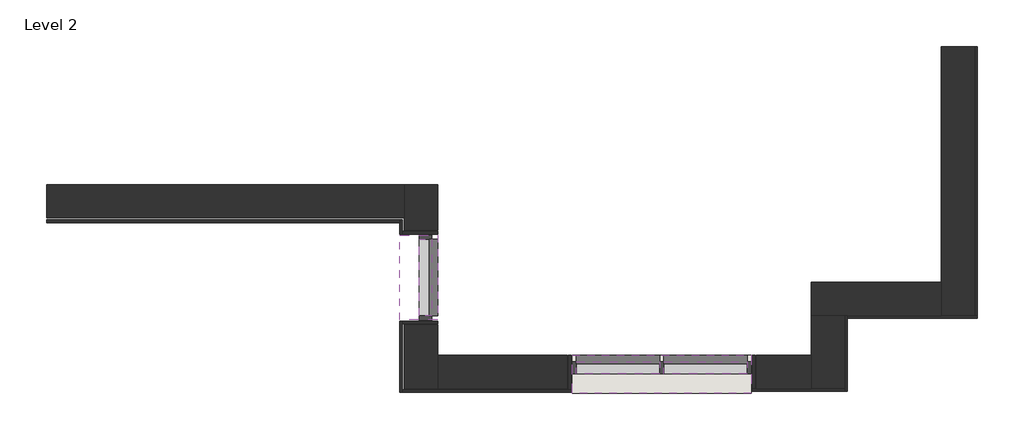
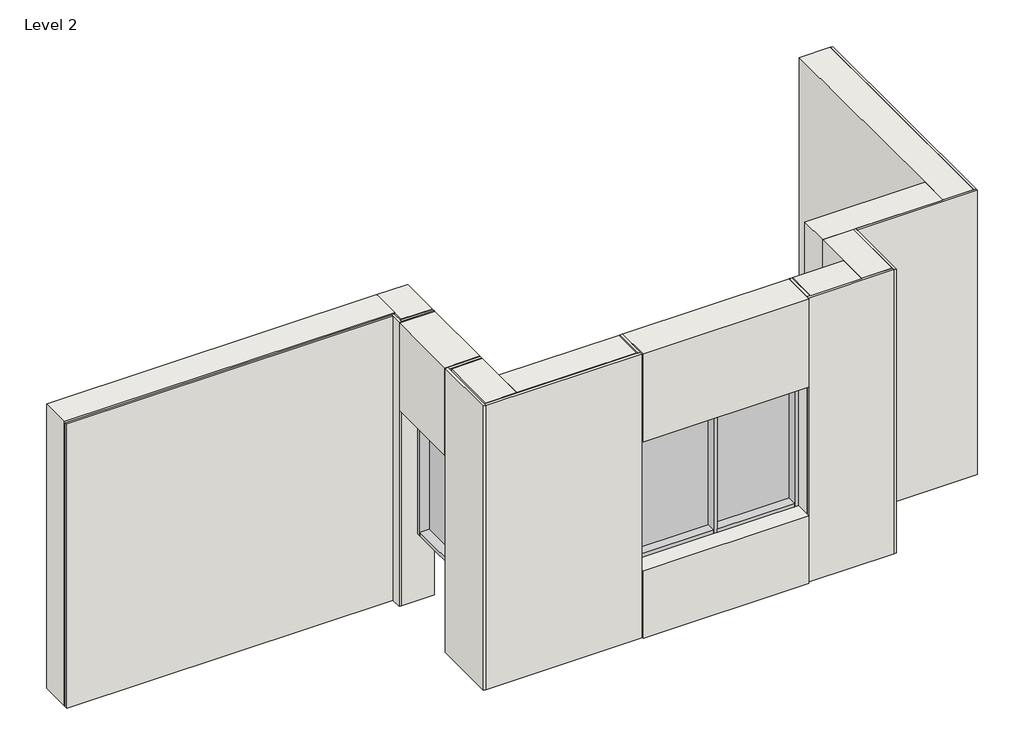
# One storey: 23 walls, 11 members, 3 plates.
"""IFC4 building model written with IfcOpenShell, lengths in millimetres."""

import ifcopenshell
import ifcopenshell.guid

model = None  # the IFC model being written
_history = None  # IfcOwnerHistory: only IFC2X3 demands one
_inside = {}  # id of a spatial element -> (the spatial element, [elements in it])
_under = {}  # id of a project, library or spatial element -> (it, [spatial elements below it])
_declared = {}  # id of a project -> (the project, [libraries it declares])
_typed = {}  # id of a type object -> (the type object, [elements of that type])
_made_of = {}  # id of a material, layer set ... -> (it, [elements and type objects made of it])


def new_model(schema):
    """Start an empty IFC model of exactly this schema.

    Asked for "IFC4X3", IfcOpenShell would pick the latest addendum, in which some entities
    have other attributes; the version numbers below select the first issue.
    IFC2X3 requires an IfcOwnerHistory on every rooted entity: one is made here for all.
    """
    global model, _history
    if schema == "IFC4X3":
        model = ifcopenshell.file(schema_version=(4, 3, 0, 0))
    else:
        model = ifcopenshell.file(schema=schema)
    _inside.clear()
    _under.clear()
    _declared.clear()
    _typed.clear()
    _made_of.clear()
    _history = None
    if model.schema == "IFC2X3":
        org = make("IfcOrganization", Name="unknown")
        user = make(
            "IfcPersonAndOrganization",
            ThePerson=make("IfcPerson", FamilyName="unknown"),
            TheOrganization=org,
        )
        app = make(
            "IfcApplication",
            ApplicationDeveloper=org,
            Version="unknown",
            ApplicationFullName="unknown",
            ApplicationIdentifier="unknown",
        )
        _history = make(
            "IfcOwnerHistory",
            OwningUser=user,
            OwningApplication=app,
            ChangeAction="ADDED",
            CreationDate=0,
        )
    return model


def make(cls, **values):
    """One entity of the class cls with the attributes given. An attribute that is None is left unset."""
    return model.create_entity(
        cls, **{name: value for name, value in values.items() if value is not None}
    )


def rooted(cls, **values):
    """An entity with a GlobalId (a new one), such as an element, a storey or a relation."""
    return make(cls, GlobalId=ifcopenshell.guid.new(), OwnerHistory=_history, **values)


def si_unit(unit_type, name, prefix=None):
    """IfcSIUnit, for example si_unit("LENGTHUNIT", "METRE", prefix="MILLI")."""
    return make("IfcSIUnit", UnitType=unit_type, Prefix=prefix, Name=name)


def assignment(units):
    """IfcUnitAssignment: the units of a project."""
    return None if units is None else make("IfcUnitAssignment", Units=units)


def point(xyz):
    """IfcCartesianPoint."""
    return None if xyz is None else make("IfcCartesianPoint", Coordinates=xyz)


def direction(xyz):
    """IfcDirection."""
    return None if xyz is None else make("IfcDirection", DirectionRatios=xyz)


def frame(location, z_axis=None, x_axis=None):
    """IfcAxis2Placement3D, a coordinate frame: its origin and axes. An axis left out is left unset."""
    return make(
        "IfcAxis2Placement3D",
        Location=point(location),
        Axis=direction(z_axis),
        RefDirection=direction(x_axis),
    )


def origin():
    """The frame at (0, 0, 0) with its axes left unset."""
    return frame((0.0, 0.0, 0.0))


def origin_with_axes():
    """The frame at (0, 0, 0) with the z axis (0, 0, 1) and the x axis (1, 0, 0) written out."""
    return frame((0.0, 0.0, 0.0), z_axis=(0.0, 0.0, 1.0), x_axis=(1.0, 0.0, 0.0))


def place(relative_to, where):
    """IfcLocalPlacement: puts the frame where relative to a parent placement (None: the world)."""
    return make(
        "IfcLocalPlacement", PlacementRelTo=relative_to, RelativePlacement=where
    )


def context(
    kind, dimensions, precision=None, world=None, true_north=None, identifier=None
):
    """IfcGeometricRepresentationContext, for example the 3D "Model" context."""
    return make(
        "IfcGeometricRepresentationContext",
        ContextIdentifier=identifier,
        ContextType=kind,
        CoordinateSpaceDimension=dimensions,
        Precision=precision,
        WorldCoordinateSystem=world,
        TrueNorth=true_north,
    )


def project(units=None, contexts=None):
    """IfcProject with its units and contexts."""
    return rooted(
        "IfcProject",
        Name="project",
        RepresentationContexts=contexts,
        UnitsInContext=assignment(units),
    )


def spatial(cls, under=None, at=None, **own):
    """A site, building, storey or space (cls), placed at a placement, below another one or the project."""
    s = rooted(cls, ObjectPlacement=at, **own)
    if under is not None:
        _under.setdefault(under.id(), (under, []))[1].append(s)
    return s


def polyline(points):
    """IfcPolyline through the points."""
    return make("IfcPolyline", Points=[point(p) for p in points])


def outline(outer, holes=None, kind="AREA"):
    """IfcArbitraryClosedProfileDef: a profile drawn as a closed curve; with holes, ...WithVoids."""
    if holes is None:
        return make("IfcArbitraryClosedProfileDef", ProfileType=kind, OuterCurve=outer)
    return make(
        "IfcArbitraryProfileDefWithVoids",
        ProfileType=kind,
        OuterCurve=outer,
        InnerCurves=holes,
    )


def extrude(swept, where, along, depth):
    """IfcExtrudedAreaSolid: the profile swept, set in the frame where, extruded along a direction by depth."""
    return make(
        "IfcExtrudedAreaSolid",
        SweptArea=swept,
        Position=where,
        ExtrudedDirection=direction(along),
        Depth=depth,
    )


def faces_of(points, faces, orient=None, outer=None):
    """IfcFace entities. A face is a list of loops; a loop is a list of indices into points, from 0.

    orient and outer hold one flag for each loop. By default every Orientation is true, the
    first loop of a face is its IfcFaceOuterBound and the others are IfcFaceBound.
    """
    made = []
    for i, loops in enumerate(faces):
        bounds = []
        for j, loop in enumerate(loops):
            is_outer = j == 0 if outer is None else outer[i][j]
            bounds.append(
                make(
                    "IfcFaceOuterBound" if is_outer else "IfcFaceBound",
                    Bound=make("IfcPolyLoop", Polygon=[points[k] for k in loop]),
                    Orientation=True if orient is None else orient[i][j],
                )
            )
        made.append(make("IfcFace", Bounds=bounds))
    return made


def faceted_brep(points, faces, orient=None, outer=None, voids=None):
    """IfcFacetedBrep: a solid bounded by flat faces; with voids (closed shells), ...WithVoids."""
    shared = [point(p) for p in points]
    hull = make("IfcClosedShell", CfsFaces=faces_of(shared, faces, orient, outer))
    if voids is None:
        return make("IfcFacetedBrep", Outer=hull)
    return make(
        "IfcFacetedBrepWithVoids",
        Outer=hull,
        Voids=[
            make(cls, CfsFaces=faces_of(shared, fs, o, b)) for cls, fs, o, b in voids
        ],
    )


def shape(context_of_items, identifier, shape_type, items):
    """IfcShapeRepresentation: the items that make up one representation, for example the "Body"."""
    return make(
        "IfcShapeRepresentation",
        ContextOfItems=context_of_items,
        RepresentationIdentifier=identifier,
        RepresentationType=shape_type,
        Items=items,
    )


def source(mapping_origin, context_of_items, identifier, shape_type, items):
    """IfcRepresentationMap: a shape defined once, which mapped items show again and again."""
    return make(
        "IfcRepresentationMap",
        MappingOrigin=mapping_origin,
        MappedRepresentation=shape(context_of_items, identifier, shape_type, items),
    )


def transform(
    local_origin,
    x_axis=None,
    y_axis=None,
    z_axis=None,
    scale=None,
    scale2=None,
    scale3=None,
    uniform=True,
):
    """IfcCartesianTransformationOperator3D, or its non-uniform kind. x_axis, y_axis, z_axis: its Axis1, 2, 3."""
    if uniform:
        return make(
            "IfcCartesianTransformationOperator3D",
            Axis1=direction(x_axis),
            Axis2=direction(y_axis),
            LocalOrigin=point(local_origin),
            Scale=scale,
            Axis3=direction(z_axis),
        )
    return make(
        "IfcCartesianTransformationOperator3DnonUniform",
        Axis1=direction(x_axis),
        Axis2=direction(y_axis),
        LocalOrigin=point(local_origin),
        Scale=scale,
        Axis3=direction(z_axis),
        Scale2=scale2,
        Scale3=scale3,
    )


def mapped(mapping_source, mapping_target):
    """IfcMappedItem: shows the shape of a source again, moved by a transform."""
    return make(
        "IfcMappedItem", MappingSource=mapping_source, MappingTarget=mapping_target
    )


def made_of(thing, what):
    """Note that an element or type object is made of a material, layer set ...; save() writes the relation."""
    if what is not None:
        _made_of.setdefault(what.id(), (what, []))[1].append(thing)
    return thing


def element(
    cls,
    number,
    at=None,
    inside=None,
    cuts=None,
    type_object=None,
    material=None,
    context=None,
    identifier="Body",
    shape_type=None,
    held_by="IfcProductDefinitionShape",
    body=None,
    shapes=None,
    **own,
):
    """One element of the class cls, such as IfcWall. Its Tag is "e" and its number.

    at: its placement. inside: the storey or other place that contains it. cuts: it is an
    opening in that element (IfcRelVoidsElement). A single representation is given by context,
    identifier, shape_type and body (its items); several are given by shapes. held_by: the class
    of the entity that holds the representations. save() writes the other relations.
    """
    e = rooted(cls, Tag="e%d" % number, ObjectPlacement=at, **own)
    if body is not None:
        shapes = [shape(context, identifier, shape_type, body)]
    if shapes is not None:
        e.Representation = make(held_by, Representations=shapes)
    if inside is not None:
        _inside.setdefault(inside.id(), (inside, []))[1].append(e)
    if cuts is not None:
        rooted(
            "IfcRelVoidsElement", RelatingBuildingElement=cuts, RelatedOpeningElement=e
        )
    if type_object is not None:
        _typed.setdefault(type_object.id(), (type_object, []))[1].append(e)
    return made_of(e, material)


def aggregate(whole, parts):
    """IfcRelAggregates: a whole, such as a stair, and the parts it consists of."""
    return rooted("IfcRelAggregates", RelatingObject=whole, RelatedObjects=parts)


def save(model, path):
    """Write the relations noted so far, then the file.

    IfcRelAggregates (storeys below a building ...), IfcRelContainedInSpatialStructure (elements
    in a storey), IfcRelDefinesByType, IfcRelAssociatesMaterial and IfcRelDeclares: one each for
    every whole, place, type object, material and project.
    """
    for whole, parts in _under.values():
        aggregate(whole, parts)
    for where, things in _inside.values():
        rooted(
            "IfcRelContainedInSpatialStructure",
            RelatedElements=things,
            RelatingStructure=where,
        )
    for kind, things in _typed.values():
        rooted("IfcRelDefinesByType", RelatedObjects=things, RelatingType=kind)
    for what, things in _made_of.values():
        rooted("IfcRelAssociatesMaterial", RelatedObjects=things, RelatingMaterial=what)
    for by, libraries in _declared.values():
        rooted("IfcRelDeclares", RelatingContext=by, RelatedDefinitions=libraries)
    model.write(path)


def rectangular_mullion_rectangular_mullion_1_affd144b(model_context):
    return source(origin(), model_context, "Body", "SweptSolid", [
        extrude(outline(polyline([(0.0, 75.0), (0.0, -75.0), (-50.0, -75.0), (-50.0, 75.0), (0.0, 75.0)])), frame((0.0, 0.0, -942.8880793), z_axis=(0.0, 0.0, 1.0), x_axis=(1.0, 0.0, 0.0)), (0.0, 0.0, 1.0), 942.8880793),
    ])


def rectangular_mullion_rectangular_mullion_1_e0982682(model_context):
    return source(origin(), model_context, "Body", "SweptSolid", [
        extrude(outline(polyline([(0.0, 75.0), (0.0, -75.0), (-50.0, -75.0), (-50.0, 75.0), (0.0, 75.0)])), frame((0.0, 0.0, -1026.5), z_axis=(0.0, 0.0, 1.0), x_axis=(1.0, 0.0, 0.0)), (0.0, 0.0, 1.0), 1026.5),
    ])


def rectangular_mullion_rectangular_mullion_1_3e09c4a7(model_context):
    return source(origin(), model_context, "Body", "SweptSolid", [
        extrude(outline(polyline([(0.0, 75.0), (0.0, -75.0), (-50.0, -75.0), (-50.0, 75.0), (0.0, 75.0)])), frame((0.0, 0.0, -1816.1089137), z_axis=(0.0, 0.0, 1.0), x_axis=(1.0, 0.0, 0.0)), (0.0, 0.0, 1.0), 1816.1089137),
    ])


def rectangular_mullion_rectangular_mullion_1_6675d828(model_context):
    return source(origin(), model_context, "Body", "SweptSolid", [
        extrude(outline(polyline([(25.0, 75.0), (25.0, -75.0), (-25.0, -75.0), (-25.0, 75.0), (25.0, 75.0)])), frame((0.0, 0.0, -1816.1565351), z_axis=(0.0, 0.0, 1.0), x_axis=(1.0, 0.0, 0.0)), (0.0, 0.0, 1.0), 1816.1565351),
    ])


def system_panel_glazed_2e1aae2e(model_context):
    return source(origin(), model_context, "Body", "SweptSolid", [
        extrude(outline(polyline([(471.4440397, 50.0), (-471.4440397, 50.0), (-471.4440397, 150.0), (471.4440397, 150.0), (471.4440397, 50.0)])), origin_with_axes(), (0.0, 0.0, 1.0), 1716.1089137),
    ])


def system_panel_glazed_dac0957e(model_context):
    return source(origin(), model_context, "Body", "SweptSolid", [
        extrude(outline(polyline([(513.25, 50.0), (-513.25, 50.0), (-513.25, 150.0), (513.25, 150.0), (513.25, 50.0)])), origin_with_axes(), (0.0, 0.0, 1.0), 1716.1565351),
    ])


model = new_model("IFC4")

# Units and contexts
model_context = context("Model", 3, world=origin())
ifc_project = project(units=[si_unit("LENGTHUNIT", "METRE", prefix="MILLI")], contexts=[model_context])

# Site, building, storey
site = spatial("IfcSite", under=ifc_project)
building = spatial("IfcBuilding", under=site)
storey = spatial("IfcBuildingStorey", under=building, Name="Level 2", Elevation=4000.0)

# Members
placement = place(None, origin())
rectangular_mullion_rectangular_mullion_1_shape = rectangular_mullion_rectangular_mullion_1_affd144b(model_context)
element("IfcMember", 1, ObjectType="Rectangular Mullion : Rectangular Mullion 1", at=placement, inside=storey, context=model_context, shape_type="MappedRepresentation", body=[
    mapped(rectangular_mullion_rectangular_mullion_1_shape, transform((-7609.7608236, 213.7170078, 6764.6565351), x_axis=(0.0, 0.0, 1.0), y_axis=(-1.0, 0.0, 0.0), z_axis=(0.0, -1.0, 0.0))),
])
element("IfcMember", 2, ObjectType="Rectangular Mullion : Rectangular Mullion 1", at=placement, inside=storey, context=model_context, shape_type="MappedRepresentation", body=[
    mapped(rectangular_mullion_rectangular_mullion_1_shape, transform((-7609.7608236, 1156.6050871, 4948.5476213), x_axis=(0.0, 0.0, -1.0), y_axis=(-1.0, 0.0, 0.0), z_axis=(0.0, 1.0, 0.0))),
])
rectangular_mullion_rectangular_mullion_1_2_shape = rectangular_mullion_rectangular_mullion_1_e0982682(model_context)
element("IfcMember", 3, ObjectType="Rectangular Mullion : Rectangular Mullion 1", at=placement, inside=storey, context=model_context, shape_type="MappedRepresentation", body=[
    mapped(rectangular_mullion_rectangular_mullion_1_2_shape, transform((-3654.7608236, -421.3949129, 6764.6565351), x_axis=(0.0, 0.0, 1.0), y_axis=(0.0, -1.0, 0.0), z_axis=(1.0, 0.0, 0.0))),
])
element("IfcMember", 4, ObjectType="Rectangular Mullion : Rectangular Mullion 1", at=placement, inside=storey, context=model_context, shape_type="MappedRepresentation", body=[
    mapped(rectangular_mullion_rectangular_mullion_1_2_shape, transform((-4731.2608236, -421.3949129, 6764.6565351), x_axis=(0.0, 0.0, 1.0), y_axis=(0.0, -1.0, 0.0), z_axis=(1.0, 0.0, 0.0))),
])
element("IfcMember", 5, ObjectType="Rectangular Mullion : Rectangular Mullion 1", at=placement, inside=storey, context=model_context, shape_type="MappedRepresentation", body=[
    mapped(rectangular_mullion_rectangular_mullion_1_2_shape, transform((-5757.7608236, -421.3949129, 4948.5), x_axis=(0.0, 0.0, -1.0), y_axis=(0.0, -1.0, 0.0), z_axis=(-1.0, 0.0, 0.0))),
])
element("IfcMember", 6, ObjectType="Rectangular Mullion : Rectangular Mullion 1", at=placement, inside=storey, context=model_context, shape_type="MappedRepresentation", body=[
    mapped(rectangular_mullion_rectangular_mullion_1_2_shape, transform((-4681.2608236, -421.3949129, 4948.5), x_axis=(0.0, 0.0, -1.0), y_axis=(0.0, -1.0, 0.0), z_axis=(-1.0, 0.0, 0.0))),
])
rectangular_mullion_rectangular_mullion_1_3_shape = rectangular_mullion_rectangular_mullion_1_3e09c4a7(model_context)
element("IfcMember", 7, ObjectType="Rectangular Mullion : Rectangular Mullion 1", at=placement, inside=storey, context=model_context, shape_type="MappedRepresentation", body=[
    mapped(rectangular_mullion_rectangular_mullion_1_3_shape, transform((-3604.7608236, -421.3949129, 4948.5), x_axis=(1.0, 0.0, 0.0), y_axis=(0.0, -1.0, 0.0), z_axis=(0.0, 0.0, -1.0))),
])
element("IfcMember", 8, ObjectType="Rectangular Mullion : Rectangular Mullion 1", at=placement, inside=storey, context=model_context, shape_type="MappedRepresentation", body=[
    mapped(rectangular_mullion_rectangular_mullion_1_3_shape, transform((-7609.7608236, 163.7170078, 4948.5476213), x_axis=(0.0, -1.0, 0.0), y_axis=(-1.0, 0.0, 0.0), z_axis=(0.0, 0.0, -1.0))),
])
element("IfcMember", 9, ObjectType="Rectangular Mullion : Rectangular Mullion 1", at=placement, inside=storey, context=model_context, shape_type="MappedRepresentation", body=[
    mapped(rectangular_mullion_rectangular_mullion_1_3_shape, transform((-5807.7608236, -421.3949129, 6764.6565351), x_axis=(-1.0, 0.0, 0.0), y_axis=(0.0, -1.0, 0.0), z_axis=(0.0, 0.0, 1.0))),
])
element("IfcMember", 10, ObjectType="Rectangular Mullion : Rectangular Mullion 1", at=placement, inside=storey, context=model_context, shape_type="MappedRepresentation", body=[
    mapped(rectangular_mullion_rectangular_mullion_1_3_shape, transform((-7609.7608236, 1206.6050871, 6764.6565351), x_axis=(0.0, 1.0, 0.0), y_axis=(-1.0, 0.0, 0.0), z_axis=(0.0, 0.0, 1.0))),
])
rectangular_mullion_rectangular_mullion_1_4_shape = rectangular_mullion_rectangular_mullion_1_6675d828(model_context)
element("IfcMember", 11, ObjectType="Rectangular Mullion : Rectangular Mullion 1", at=placement, inside=storey, context=model_context, shape_type="MappedRepresentation", body=[
    mapped(rectangular_mullion_rectangular_mullion_1_4_shape, transform((-4706.2608236, -421.3949129, 4948.5), x_axis=(1.0, 0.0, 0.0), y_axis=(0.0, -1.0, 0.0), z_axis=(0.0, 0.0, -1.0))),
])

# Plates
system_panel_glazed_shape = system_panel_glazed_2e1aae2e(model_context)
element("IfcPlate", 12, ObjectType="System Panel : Glazed", at=placement, inside=storey, context=model_context, shape_type="MappedRepresentation", body=[
    mapped(system_panel_glazed_shape, transform((-7609.7608236, 685.1610474, 4998.5476213), x_axis=(0.0, -1.0, 0.0), y_axis=(1.0, 0.0, 0.0), z_axis=(0.0, 0.0, 1.0))),
])
system_panel_glazed_2_shape = system_panel_glazed_dac0957e(model_context)
element("IfcPlate", 13, ObjectType="System Panel : Glazed", at=placement, inside=storey, context=model_context, shape_type="MappedRepresentation", body=[
    mapped(system_panel_glazed_2_shape, transform((-5244.5108236, -421.3949129, 4998.5), x_axis=(1.0, 0.0, 0.0), y_axis=(0.0, 1.0, 0.0), z_axis=(0.0, 0.0, 1.0))),
])
element("IfcPlate", 14, ObjectType="System Panel : Glazed", at=placement, inside=storey, context=model_context, shape_type="MappedRepresentation", body=[
    mapped(system_panel_glazed_2_shape, transform((-4168.0108236, -421.3949129, 4998.5), x_axis=(1.0, 0.0, 0.0), y_axis=(0.0, 1.0, 0.0), z_axis=(0.0, 0.0, 1.0))),
])

# Walls
element("IfcWall", 15, at=placement, inside=storey, context=model_context, shape_type="Brep", body=[
    faceted_brep([(-7894.3608236, -726.0949129, 4000.0), (-5820.0608236, -726.0949129, 4000.0), (-5820.0608236, -726.0949129, 8000.0), (-7894.3608236, -726.0949129, 8000.0), (-7894.3608236, -693.6949129, 4000.0), (-7894.3608236, -693.6949129, 8000.0), (-5852.4608236, -693.6949129, 8000.0), (-5820.0608236, -693.6949129, 8000.0), (-5820.0608236, -693.6949129, 4000.0), (-5852.4608236, -693.6949129, 4000.0)], [[[0, 1, 2, 3]], [[4, 5, 6, 7, 8, 9]], [[1, 0, 4, 9, 8]], [[3, 2, 7, 6, 5]], [[0, 3, 5, 4]], [[2, 1, 8, 7]]]),
])
element("IfcWall", 16, at=placement, inside=storey, context=model_context, shape_type="Brep", body=[
    faceted_brep([(-7926.7608236, 1394.0050871, 4000.0), (-7926.7608236, 1361.6050871, 4000.0), (-7926.7608236, 1218.9050871, 4000.0), (-7926.7608236, 1218.9050871, 8000.0), (-7926.7608236, 1361.6050871, 8000.0), (-7926.7608236, 1394.0050871, 8000.0), (-7894.3608236, 1394.0050871, 4000.0), (-7894.3608236, 1394.0050871, 8000.0), (-7894.3608236, 1251.3050871, 8000.0), (-7894.3608236, 1218.9050871, 8000.0), (-7894.3608236, 1218.9050871, 4000.0), (-7894.3608236, 1251.3050871, 4000.0)], [[[0, 1, 2, 3, 4, 5]], [[6, 7, 8, 9, 10, 11]], [[2, 1, 0, 6, 11, 10]], [[5, 4, 3, 9, 8, 7]], [[0, 5, 7, 6]], [[3, 2, 10, 9]]]),
])
element("IfcWall", 17, at=placement, inside=storey, context=model_context, shape_type="Brep", body=[
    faceted_brep([(-2459.7608236, 218.6050871, 4000.0), (-2459.7608236, -681.3949129, 4000.0), (-2459.7608236, -713.7949129, 4000.0), (-2459.7608236, -713.7949129, 8000.0), (-2459.7608236, -681.3949129, 8000.0), (-2459.7608236, 218.6050871, 8000.0), (-2427.3608236, 218.6050871, 4000.0), (-2427.3608236, 218.6050871, 8000.0), (-2427.3608236, 186.2050871, 8000.0), (-2427.3608236, -713.7949129, 8000.0), (-2427.3608236, -713.7949129, 4000.0), (-2427.3608236, 186.2050871, 4000.0)], [[[0, 1, 2, 3, 4, 5]], [[6, 7, 8, 9, 10, 11]], [[2, 1, 0, 6, 11, 10]], [[5, 4, 3, 9, 8, 7]], [[0, 5, 7, 6]], [[3, 2, 10, 9]]]),
])
element("IfcWall", 18, at=placement, inside=storey, context=model_context, shape_type="Brep", body=[
    faceted_brep([(-827.3608236, 218.6050871, 4000.0), (-859.7608236, 218.6050871, 4000.0), (-2427.3608236, 218.6050871, 4000.0), (-2427.3608236, 218.6050871, 8000.0), (-859.7608236, 218.6050871, 8000.0), (-827.3608236, 218.6050871, 8000.0), (-827.3608236, 186.2050871, 4000.0), (-827.3608236, 186.2050871, 8000.0), (-2427.3608236, 186.2050871, 8000.0), (-2427.3608236, 186.2050871, 4000.0)], [[[0, 1, 2, 3, 4, 5]], [[6, 7, 8, 9]], [[2, 1, 0, 6, 9]], [[5, 4, 3, 8, 7]], [[3, 2, 9, 8]], [[0, 5, 7, 6]]]),
])
element("IfcWall", 19, at=placement, inside=storey, context=model_context, shape_type="SweptSolid", body=[
    extrude(outline(polyline([(-859.7608236, 218.6050871), (-859.7608236, 3523.6050871), (-827.3608236, 3523.6050871), (-827.3608236, 218.6050871), (-859.7608236, 218.6050871)])), frame((0.0, 0.0, 4000.0), z_axis=(0.0, 0.0, 1.0), x_axis=(1.0, 0.0, 0.0)), (0.0, 0.0, 1.0), 4000.0),
])
element("IfcWall", 20, at=placement, inside=storey, context=model_context, shape_type="SweptSolid", body=[
    extrude(outline(polyline([(-7926.7608236, 1361.6050871), (-12264.7608236, 1361.6050871), (-12264.7608236, 1394.0050871), (-7926.7608236, 1394.0050871), (-7926.7608236, 1361.6050871)])), frame((0.0, 0.0, 4000.0), z_axis=(0.0, 0.0, 1.0), x_axis=(1.0, 0.0, 0.0)), (0.0, 0.0, 1.0), 4000.0),
])
element("IfcWall", 21, at=placement, inside=storey, context=model_context, shape_type="Brep", body=[
    faceted_brep([(-2459.7608236, -681.3949129, 4000.0), (-3560.0608236, -681.3949129, 4000.0), (-3592.4608236, -681.3949129, 4000.0), (-3592.4608236, -681.3949129, 8000.0), (-3560.0608236, -681.3949129, 8000.0), (-2459.7608236, -681.3949129, 8000.0), (-2459.7608236, -713.7949129, 4000.0), (-2459.7608236, -713.7949129, 8000.0), (-3592.4608236, -713.7949129, 8000.0), (-3592.4608236, -713.7949129, 4000.0)], [[[0, 1, 2, 3, 4, 5]], [[6, 7, 8, 9]], [[2, 1, 0, 6, 9]], [[5, 4, 3, 8, 7]], [[0, 5, 7, 6]], [[3, 2, 9, 8]]]),
])
element("IfcWall", 22, at=placement, inside=storey, context=model_context, shape_type="SweptSolid", body=[
    extrude(outline(polyline([(-3560.0608236, -271.3949129), (-3560.0608236, -681.3949129), (-3592.4608236, -681.3949129), (-3592.4608236, -271.3949129), (-3560.0608236, -271.3949129)])), frame((0.0, 0.0, 4000.0), z_axis=(0.0, 0.0, 1.0), x_axis=(1.0, 0.0, 0.0)), (0.0, 0.0, 1.0), 4000.0),
])
element("IfcWall", 23, at=placement, inside=storey, context=model_context, shape_type="SweptSolid", body=[
    extrude(outline(polyline([(-5820.0608236, -271.3949129), (-5820.0608236, -693.6949129), (-5852.4608236, -693.6949129), (-5852.4608236, -271.3949129), (-5820.0608236, -271.3949129)])), frame((0.0, 0.0, 4000.0), z_axis=(0.0, 0.0, 1.0), x_axis=(1.0, 0.0, 0.0)), (0.0, 0.0, 1.0), 4000.0),
])
element("IfcWall", 24, at=placement, inside=storey, context=model_context, shape_type="Brep", body=[
    faceted_brep([(-7926.7608236, 151.4170078, 4000.0), (-7926.7608236, -726.0949129, 4000.0), (-7926.7608236, -726.0949129, 8000.0), (-7926.7608236, 151.4170078, 8000.0), (-7894.3608236, 151.4170078, 4000.0), (-7894.3608236, 151.4170078, 8000.0), (-7894.3608236, 119.0170078, 8000.0), (-7894.3608236, -693.6949129, 8000.0), (-7894.3608236, -726.0949129, 8000.0), (-7894.3608236, -726.0949129, 4000.0), (-7894.3608236, -693.6949129, 4000.0), (-7894.3608236, 119.0170078, 4000.0)], [[[0, 1, 2, 3]], [[4, 5, 6, 7, 8, 9, 10, 11]], [[1, 0, 4, 11, 10, 9]], [[3, 2, 8, 7, 6, 5]], [[2, 1, 9, 8]], [[0, 3, 5, 4]]]),
])
element("IfcWall", 25, at=placement, inside=storey, context=model_context, shape_type="SweptSolid", body=[
    extrude(outline(polyline([(-7459.7608236, 119.0170078), (-7894.3608236, 119.0170078), (-7894.3608236, 151.4170078), (-7459.7608236, 151.4170078), (-7459.7608236, 119.0170078)])), frame((0.0, 0.0, 4000.0), z_axis=(0.0, 0.0, 1.0), x_axis=(1.0, 0.0, 0.0)), (0.0, 0.0, 1.0), 4000.0),
])
element("IfcWall", 26, at=placement, inside=storey, context=model_context, shape_type="SweptSolid", body=[
    extrude(outline(polyline([(-7459.7608236, 1218.9050871), (-7894.3608236, 1218.9050871), (-7894.3608236, 1251.3050871), (-7459.7608236, 1251.3050871), (-7459.7608236, 1218.9050871)])), frame((0.0, 0.0, 4000.0), z_axis=(0.0, 0.0, 1.0), x_axis=(1.0, 0.0, 0.0)), (0.0, 0.0, 1.0), 4000.0),
])
element("IfcWall", 27, ObjectType="Wall 1", at=placement, inside=storey, context=model_context, shape_type="Brep", body=[
    faceted_brep([(-1269.7608236, 3523.6050871, 4000.0), (-1269.7608236, 628.6050871, 4000.0), (-1269.7608236, 218.6050871, 4000.0), (-1269.7608236, 218.6050871, 8000.0), (-1269.7608236, 628.6050871, 8000.0), (-1269.7608236, 3523.6050871, 8000.0), (-859.7608236, 3523.6050871, 4000.0), (-859.7608236, 3523.6050871, 8000.0), (-859.7608236, 218.6050871, 8000.0), (-859.7608236, 218.6050871, 4000.0)], [[[0, 1, 2, 3, 4, 5]], [[6, 7, 8, 9]], [[2, 1, 0, 6, 9]], [[5, 4, 3, 8, 7]], [[0, 5, 7, 6]], [[3, 2, 9, 8]]]),
])
element("IfcWall", 28, ObjectType="Wall 1", at=placement, inside=storey, context=model_context, shape_type="Brep", body=[
    faceted_brep([(-1269.7608236, 628.6050871, 4000.0), (-2869.7608236, 628.6050871, 4000.0), (-2869.7608236, 628.6050871, 8000.0), (-1269.7608236, 628.6050871, 8000.0), (-1269.7608236, 218.6050871, 4000.0), (-1269.7608236, 218.6050871, 8000.0), (-2427.3608236, 218.6050871, 8000.0), (-2459.7608236, 218.6050871, 8000.0), (-2869.7608236, 218.6050871, 8000.0), (-2869.7608236, 218.6050871, 4000.0), (-2459.7608236, 218.6050871, 4000.0), (-2427.3608236, 218.6050871, 4000.0)], [[[0, 1, 2, 3]], [[4, 5, 6, 7, 8, 9, 10, 11]], [[1, 0, 4, 11, 10, 9]], [[3, 2, 8, 7, 6, 5]], [[0, 3, 5, 4]], [[2, 1, 9, 8]]]),
])
element("IfcWall", 29, ObjectType="Wall 1", at=placement, inside=storey, context=model_context, shape_type="Brep", body=[
    faceted_brep([(-2869.7608236, 218.6050871, 4000.0), (-2869.7608236, -271.3949129, 4000.0), (-2869.7608236, -681.3949129, 4000.0), (-2869.7608236, -681.3949129, 8000.0), (-2869.7608236, -271.3949129, 8000.0), (-2869.7608236, 218.6050871, 8000.0), (-2459.7608236, 218.6050871, 4000.0), (-2459.7608236, 218.6050871, 8000.0), (-2459.7608236, -681.3949129, 8000.0), (-2459.7608236, -681.3949129, 4000.0)], [[[0, 1, 2, 3, 4, 5]], [[6, 7, 8, 9]], [[2, 1, 0, 6, 9]], [[5, 4, 3, 8, 7]], [[0, 5, 7, 6]], [[3, 2, 9, 8]]]),
])
element("IfcWall", 30, ObjectType="Wall 1", at=placement, inside=storey, context=model_context, shape_type="SweptSolid", body=[
    extrude(outline(polyline([(-7459.7608236, -271.3949129), (-5864.7608236, -271.3949129), (-5864.7608236, -681.3949129), (-7459.7608236, -681.3949129), (-7459.7608236, -271.3949129)])), frame((0.0, 0.0, 4000.0), z_axis=(0.0, 0.0, 1.0), x_axis=(1.0, 0.0, 0.0)), (0.0, 0.0, 1.0), 4000.0),
])
element("IfcWall", 31, ObjectType="Wall 1", at=placement, inside=storey, context=model_context, shape_type="Brep", body=[
    faceted_brep([(-7459.7608236, 1263.6050871, 4000.0), (-7459.7608236, 1828.6050871, 4000.0), (-7459.7608236, 1828.6050871, 8000.0), (-7459.7608236, 1263.6050871, 8000.0), (-7869.7608236, 1263.6050871, 4000.0), (-7869.7608236, 1263.6050871, 8000.0), (-7869.7608236, 1418.6050871, 8000.0), (-7869.7608236, 1828.6050871, 8000.0), (-7869.7608236, 1828.6050871, 4000.0), (-7869.7608236, 1418.6050871, 4000.0)], [[[0, 1, 2, 3]], [[4, 5, 6, 7, 8, 9]], [[1, 0, 4, 9, 8]], [[3, 2, 7, 6, 5]], [[0, 3, 5, 4]], [[2, 1, 8, 7]]]),
])
element("IfcWall", 32, ObjectType="Wall 1", at=placement, inside=storey, context=model_context, shape_type="SweptSolid", body=[
    extrude(outline(polyline([(-12264.7608236, 1828.6050871), (-7869.7608236, 1828.6050871), (-7869.7608236, 1418.6050871), (-12264.7608236, 1418.6050871), (-12264.7608236, 1828.6050871)])), frame((0.0, 0.0, 4000.0), z_axis=(0.0, 0.0, 1.0), x_axis=(1.0, 0.0, 0.0)), (0.0, 0.0, 1.0), 4000.0),
])
element("IfcWall", 33, ObjectType="Wall 1", at=placement, inside=storey, context=model_context, shape_type="SweptSolid", body=[
    extrude(outline(polyline([(-3547.7608236, -271.3949129), (-2869.7608236, -271.3949129), (-2869.7608236, -681.3949129), (-3547.7608236, -681.3949129), (-3547.7608236, -271.3949129)])), frame((0.0, 0.0, 4000.0), z_axis=(0.0, 0.0, 1.0), x_axis=(1.0, 0.0, 0.0)), (0.0, 0.0, 1.0), 4000.0),
])
element("IfcWall", 34, ObjectType="Wall 1", at=placement, inside=storey, context=model_context, shape_type="Brep", body=[
    faceted_brep([(-7869.7608236, 106.7170078, 4000.0), (-7869.7608236, -681.3949129, 4000.0), (-7869.7608236, -681.3949129, 8000.0), (-7869.7608236, 106.7170078, 8000.0), (-7459.7608236, 106.7170078, 4000.0), (-7459.7608236, 106.7170078, 8000.0), (-7459.7608236, -271.3949129, 8000.0), (-7459.7608236, -681.3949129, 8000.0), (-7459.7608236, -681.3949129, 4000.0), (-7459.7608236, -271.3949129, 4000.0)], [[[0, 1, 2, 3]], [[4, 5, 6, 7, 8, 9]], [[1, 0, 4, 9, 8]], [[3, 2, 7, 6, 5]], [[0, 3, 5, 4]], [[2, 1, 8, 7]]]),
])
element("IfcWall", 35, ObjectType="Wall 3", at=placement, inside=storey, context=model_context, shape_type="SweptSolid", body=[
    extrude(outline(polyline([(-5807.7608236, -271.3949129), (-3604.7608236, -271.3949129), (-3604.7608236, -738.3949129), (-5807.7608236, -738.3949129), (-5807.7608236, -271.3949129)])), frame((0.0, 0.0, 6764.6565351), z_axis=(0.0, 0.0, 1.0), x_axis=(1.0, 0.0, 0.0)), (0.0, 0.0, 1.0), 1235.3434649),
])
element("IfcWall", 36, ObjectType="Wall 3", at=placement, inside=storey, context=model_context, shape_type="SweptSolid", body=[
    extrude(outline(polyline([(-7459.7608236, 1206.6050871), (-7459.7608236, 163.7170078), (-7926.7608236, 163.7170078), (-7926.7608236, 1206.6050871), (-7459.7608236, 1206.6050871)])), frame((0.0, 0.0, 6764.6565351), z_axis=(0.0, 0.0, 1.0), x_axis=(1.0, 0.0, 0.0)), (0.0, 0.0, 1.0), 1235.3434649),
])
element("IfcWall", 37, ObjectType="Wall 3", at=placement, inside=storey, context=model_context, shape_type="SweptSolid", body=[
    extrude(outline(polyline([(-5807.7608236, -271.3949129), (-3604.7608236, -271.3949129), (-3604.7608236, -738.3949129), (-5807.7608236, -738.3949129), (-5807.7608236, -271.3949129)])), frame((0.0, 0.0, 4000.0), z_axis=(0.0, 0.0, 1.0), x_axis=(1.0, 0.0, 0.0)), (0.0, 0.0, 1.0), 948.5),
])

save(model, "model.ifc")
